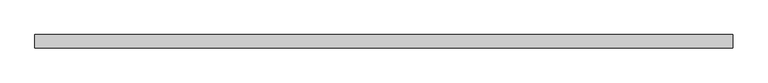
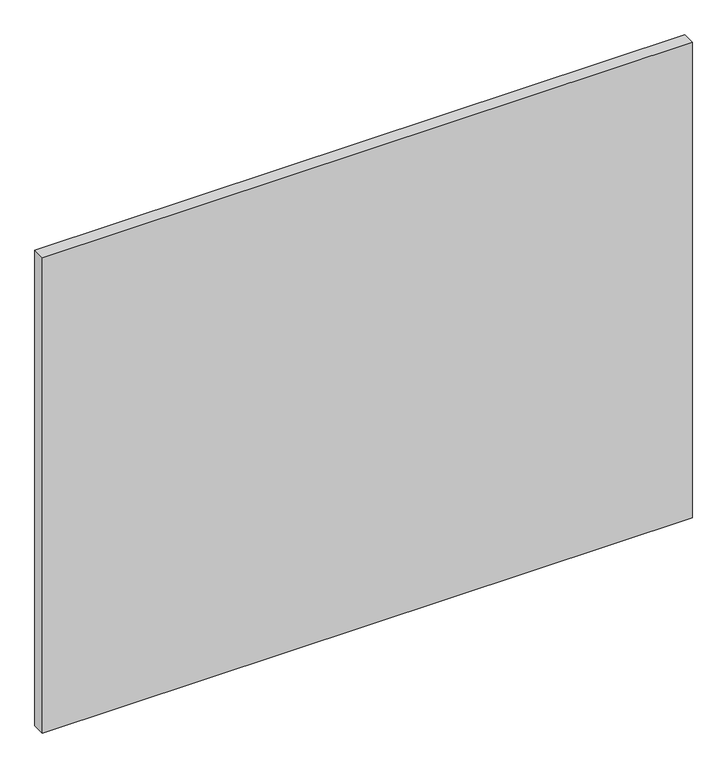
"""IFC4 building model written with IfcOpenShell, lengths in millimetres: plate geometry."""

from ifc_helpers import new_model, si_unit, origin, origin_with_axes, place, context, project, spatial, polyline, outline, extrude, source, transform, mapped, element, save


def plate_d31bdfb2(model_context):
    return source(origin(), model_context, "Body", "SweptSolid", [
        extrude(outline(polyline([(646.7676722, 24.5), (-646.7676722, 24.5), (-646.7676722, 49.5), (646.7676722, 49.5), (646.7676722, 24.5)])), origin_with_axes(), (0.0, 0.0, 1.0), 1000.0),
    ])


if __name__ == "__main__":
    model = new_model("IFC4")
    model_context = context("Model", 3, world=origin())
    ifc_project = project(units=[si_unit("LENGTHUNIT", "METRE", prefix="MILLI")], contexts=[model_context])
    site = spatial("IfcSite", under=ifc_project)
    building = spatial("IfcBuilding", under=site)
    placement = place(None, origin())
    plate_shape = plate_d31bdfb2(model_context)
    element("IfcPlate", 1, at=placement, inside=building, context=model_context, shape_type="MappedRepresentation", body=[
        mapped(plate_shape, transform((0.0, 0.0, 0.0), x_axis=(1.0, 0.0, 0.0), y_axis=(0.0, 1.0, 0.0), z_axis=(0.0, 0.0, 1.0))),
    ])
    save(model, "model.ifc")
